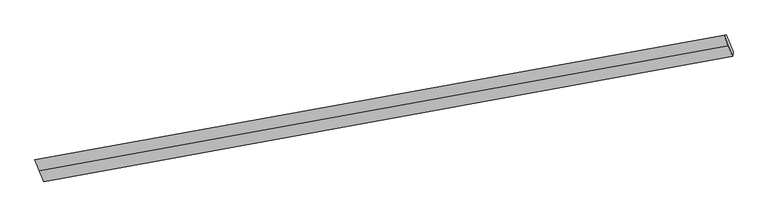
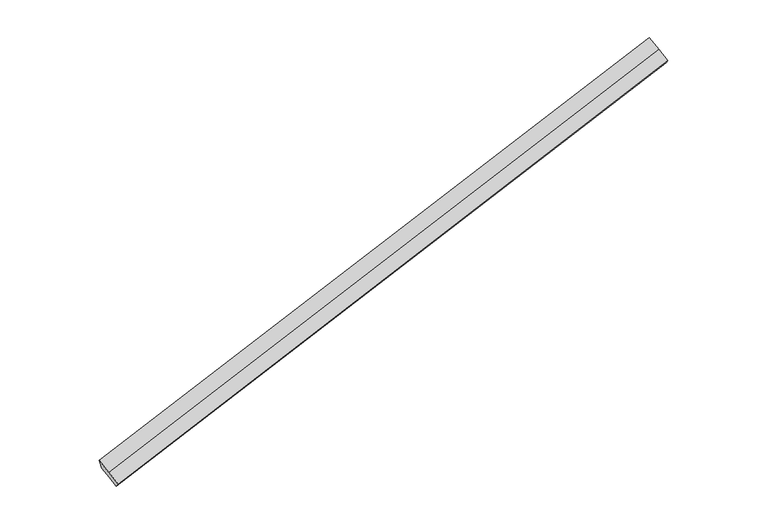
"""IFC4 building model written with IfcOpenShell, lengths in millimetres: proxy geometry."""

from ifc_helpers import new_model, si_unit, frame, origin, place, context, project, spatial, source, transform, mapped, element, save
from ifc_brep_helpers import plane_surface, spline_surface, advanced_brep


def generic_models_74fcddf8(model_context):
    return source(origin(), model_context, "Body", "AdvancedBrep", [
        advanced_brep(
        [(-8488.6503945, -2354.3869381, 640.9816751), (-8416.8527743, -2531.385326, 494.383731), (2670.6795392, -517.2663922, 3476.3822004), (2601.8638141, -347.6190922, 3616.8916463), (-8445.9217919, -2357.8023128, 482.9723967), (2637.6576858, -344.3624102, 3480.2791858), (-8390.7416484, -2493.8346272, 370.3043783), (2692.8378294, -480.3947247, 3367.6111674), (-8335.5615049, -2629.8669417, 257.6363599), (2748.0179729, -616.4270391, 3254.943149), (-8345.0551541, -2708.3837138, 347.785787), (2739.4952644, -686.9136923, 3335.8727545)],
        [
            (0, 1),
            (1, 2),
            (2, 3),
            (3, 0),
            (4, 0),
            (3, 5),
            (5, 4),
            (6, 4),
            (5, 7),
            (7, 6),
            (8, 6),
            (7, 9),
            (9, 8),
            (10, 8),
            (9, 11),
            (11, 10),
            (1, 10),
            (11, 2),
        ],
        [
            plane_surface(frame((-8452.7515844, -2442.886132, 567.6827031), z_axis=(-0.08285230774856714, -0.6553948575255018, 0.7507283635442743), x_axis=(0.29818950197071886, -0.7351087817609768, -0.6088498171900417))),
            spline_surface(1, 1, [[(-8445.9217919, -2357.8023128, 482.9723967), (2637.6576858, -344.3624102, 3480.2791858)], [(-8488.6503945, -2354.3869381, 640.9816751), (2601.8638141, -347.6190922, 3616.8916463)]], [2, 2], [2, 2], [0.0, 1.0], [0.0, 1.0]),
            plane_surface(frame((-8418.3317202, -2425.81847, 426.6383875), z_axis=(0.08385276442139719, 0.6555769546440232, -0.7504582403029219), x_axis=(-0.29818950197068333, 0.7351087817609446, 0.6088498171900979))),
            plane_surface(frame((-8363.1515766, -2561.8507844, 313.9703691), z_axis=(0.08385276442141142, 0.6555769546439856, -0.7504582403029534), x_axis=(-0.29818950196993604, 0.7351087817611133, 0.6088498171902605))),
            plane_surface(frame((-8340.3083295, -2669.1253277, 302.7110734), z_axis=(0.2981895019704792, -0.7351087817611024, -0.6088498171900077), x_axis=(0.07916342292325225, 0.6547173057507324, -0.7517169693585323))),
            plane_surface(frame((-8380.9539642, -2619.8845199, 421.084759), z_axis=(-0.0828523077485612, -0.6553948575255167, 0.7507283635442622), x_axis=(0.2981895019701038, -0.7351087817610761, -0.6088498171902232))),
            plane_surface(frame((2681.7586843, -498.8305584, 3421.9966839), z_axis=(0.9512182574917865, 0.17595547314037452, 0.2534235547186501), x_axis=(-0.29818950197030974, 0.735108781761029, 0.6088498171901793))),
            plane_surface(frame((-8403.7972113, -2512.6099766, 432.3440547), z_axis=(-0.9512182574917563, -0.17595547314052093, -0.25342355471866107), x_axis=(-0.2981895019704254, 0.7351087817610208, 0.6088498171901323))),
        ],
        [
            (0, [[1, 2, 3, 4]]),
            (1, [[5, -4, 6, 7]]),
            (2, [[8, -7, 9, 10]]),
            (3, [[11, -10, 12, 13]]),
            (4, [[14, -13, 15, 16]]),
            (5, [[17, -16, 18, -2]]),
            (6, [[-12, -9, -6, -3, -18, -15]]),
            (7, [[-1, -5, -8, -11, -14, -17]]),
        ],
    ),
    ])


if __name__ == "__main__":
    model = new_model("IFC4")
    model_context = context("Model", 3, world=origin())
    ifc_project = project(units=[si_unit("LENGTHUNIT", "METRE", prefix="MILLI")], contexts=[model_context])
    site = spatial("IfcSite", under=ifc_project)
    building = spatial("IfcBuilding", under=site)
    placement = place(None, origin())
    generic_models_shape = generic_models_74fcddf8(model_context)
    element("IfcBuildingElementProxy", 1, Name="Generic Models", at=placement, inside=building, context=model_context, shape_type="MappedRepresentation", body=[
        mapped(generic_models_shape, transform((0.0, 0.0, 0.0), x_axis=(1.0, 0.0, 0.0), y_axis=(0.0, 1.0, 0.0), z_axis=(0.0, 0.0, 1.0))),
    ])
    save(model, "model.ifc")
